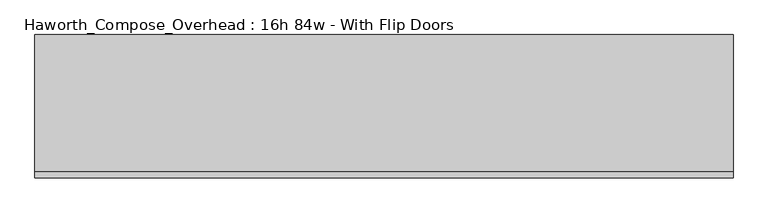
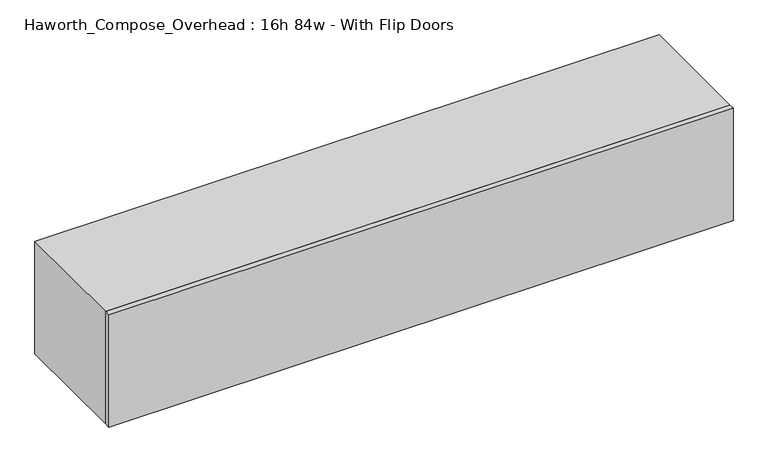
"""IFC4 building model written with IfcOpenShell, lengths in millimetres: furniture geometry, Haworth_Compose_Overhead : 16h 84w - With Flip Doors."""

import ifcopenshell
import ifcopenshell.guid

model = None  # the IFC model being written
_history = None  # IfcOwnerHistory: only IFC2X3 demands one
_inside = {}  # id of a spatial element -> (the spatial element, [elements in it])
_under = {}  # id of a project, library or spatial element -> (it, [spatial elements below it])
_declared = {}  # id of a project -> (the project, [libraries it declares])
_typed = {}  # id of a type object -> (the type object, [elements of that type])
_made_of = {}  # id of a material, layer set ... -> (it, [elements and type objects made of it])


def new_model(schema):
    """Start an empty IFC model of exactly this schema.

    Asked for "IFC4X3", IfcOpenShell would pick the latest addendum, in which some entities
    have other attributes; the version numbers below select the first issue.
    IFC2X3 requires an IfcOwnerHistory on every rooted entity: one is made here for all.
    """
    global model, _history
    if schema == "IFC4X3":
        model = ifcopenshell.file(schema_version=(4, 3, 0, 0))
    else:
        model = ifcopenshell.file(schema=schema)
    _inside.clear()
    _under.clear()
    _declared.clear()
    _typed.clear()
    _made_of.clear()
    _history = None
    if model.schema == "IFC2X3":
        org = make("IfcOrganization", Name="unknown")
        user = make(
            "IfcPersonAndOrganization",
            ThePerson=make("IfcPerson", FamilyName="unknown"),
            TheOrganization=org,
        )
        app = make(
            "IfcApplication",
            ApplicationDeveloper=org,
            Version="unknown",
            ApplicationFullName="unknown",
            ApplicationIdentifier="unknown",
        )
        _history = make(
            "IfcOwnerHistory",
            OwningUser=user,
            OwningApplication=app,
            ChangeAction="ADDED",
            CreationDate=0,
        )
    return model


def make(cls, **values):
    """One entity of the class cls with the attributes given. An attribute that is None is left unset."""
    return model.create_entity(
        cls, **{name: value for name, value in values.items() if value is not None}
    )


def rooted(cls, **values):
    """An entity with a GlobalId (a new one), such as an element, a storey or a relation."""
    return make(cls, GlobalId=ifcopenshell.guid.new(), OwnerHistory=_history, **values)


def si_unit(unit_type, name, prefix=None):
    """IfcSIUnit, for example si_unit("LENGTHUNIT", "METRE", prefix="MILLI")."""
    return make("IfcSIUnit", UnitType=unit_type, Prefix=prefix, Name=name)


def assignment(units):
    """IfcUnitAssignment: the units of a project."""
    return None if units is None else make("IfcUnitAssignment", Units=units)


def point(xyz):
    """IfcCartesianPoint."""
    return None if xyz is None else make("IfcCartesianPoint", Coordinates=xyz)


def direction(xyz):
    """IfcDirection."""
    return None if xyz is None else make("IfcDirection", DirectionRatios=xyz)


def frame(location, z_axis=None, x_axis=None):
    """IfcAxis2Placement3D, a coordinate frame: its origin and axes. An axis left out is left unset."""
    return make(
        "IfcAxis2Placement3D",
        Location=point(location),
        Axis=direction(z_axis),
        RefDirection=direction(x_axis),
    )


def origin():
    """The frame at (0, 0, 0) with its axes left unset."""
    return frame((0.0, 0.0, 0.0))


def place(relative_to, where):
    """IfcLocalPlacement: puts the frame where relative to a parent placement (None: the world)."""
    return make(
        "IfcLocalPlacement", PlacementRelTo=relative_to, RelativePlacement=where
    )


def context(
    kind, dimensions, precision=None, world=None, true_north=None, identifier=None
):
    """IfcGeometricRepresentationContext, for example the 3D "Model" context."""
    return make(
        "IfcGeometricRepresentationContext",
        ContextIdentifier=identifier,
        ContextType=kind,
        CoordinateSpaceDimension=dimensions,
        Precision=precision,
        WorldCoordinateSystem=world,
        TrueNorth=true_north,
    )


def project(units=None, contexts=None):
    """IfcProject with its units and contexts."""
    return rooted(
        "IfcProject",
        Name="project",
        RepresentationContexts=contexts,
        UnitsInContext=assignment(units),
    )


def spatial(cls, under=None, at=None, **own):
    """A site, building, storey or space (cls), placed at a placement, below another one or the project."""
    s = rooted(cls, ObjectPlacement=at, **own)
    if under is not None:
        _under.setdefault(under.id(), (under, []))[1].append(s)
    return s


def polyline(points):
    """IfcPolyline through the points."""
    return make("IfcPolyline", Points=[point(p) for p in points])


def outline(outer, holes=None, kind="AREA"):
    """IfcArbitraryClosedProfileDef: a profile drawn as a closed curve; with holes, ...WithVoids."""
    if holes is None:
        return make("IfcArbitraryClosedProfileDef", ProfileType=kind, OuterCurve=outer)
    return make(
        "IfcArbitraryProfileDefWithVoids",
        ProfileType=kind,
        OuterCurve=outer,
        InnerCurves=holes,
    )


def extrude(swept, where, along, depth):
    """IfcExtrudedAreaSolid: the profile swept, set in the frame where, extruded along a direction by depth."""
    return make(
        "IfcExtrudedAreaSolid",
        SweptArea=swept,
        Position=where,
        ExtrudedDirection=direction(along),
        Depth=depth,
    )


def shape(context_of_items, identifier, shape_type, items):
    """IfcShapeRepresentation: the items that make up one representation, for example the "Body"."""
    return make(
        "IfcShapeRepresentation",
        ContextOfItems=context_of_items,
        RepresentationIdentifier=identifier,
        RepresentationType=shape_type,
        Items=items,
    )


def source(mapping_origin, context_of_items, identifier, shape_type, items):
    """IfcRepresentationMap: a shape defined once, which mapped items show again and again."""
    return make(
        "IfcRepresentationMap",
        MappingOrigin=mapping_origin,
        MappedRepresentation=shape(context_of_items, identifier, shape_type, items),
    )


def transform(
    local_origin,
    x_axis=None,
    y_axis=None,
    z_axis=None,
    scale=None,
    scale2=None,
    scale3=None,
    uniform=True,
):
    """IfcCartesianTransformationOperator3D, or its non-uniform kind. x_axis, y_axis, z_axis: its Axis1, 2, 3."""
    if uniform:
        return make(
            "IfcCartesianTransformationOperator3D",
            Axis1=direction(x_axis),
            Axis2=direction(y_axis),
            LocalOrigin=point(local_origin),
            Scale=scale,
            Axis3=direction(z_axis),
        )
    return make(
        "IfcCartesianTransformationOperator3DnonUniform",
        Axis1=direction(x_axis),
        Axis2=direction(y_axis),
        LocalOrigin=point(local_origin),
        Scale=scale,
        Axis3=direction(z_axis),
        Scale2=scale2,
        Scale3=scale3,
    )


def mapped(mapping_source, mapping_target):
    """IfcMappedItem: shows the shape of a source again, moved by a transform."""
    return make(
        "IfcMappedItem", MappingSource=mapping_source, MappingTarget=mapping_target
    )


def made_of(thing, what):
    """Note that an element or type object is made of a material, layer set ...; save() writes the relation."""
    if what is not None:
        _made_of.setdefault(what.id(), (what, []))[1].append(thing)
    return thing


def element(
    cls,
    number,
    at=None,
    inside=None,
    cuts=None,
    type_object=None,
    material=None,
    context=None,
    identifier="Body",
    shape_type=None,
    held_by="IfcProductDefinitionShape",
    body=None,
    shapes=None,
    **own,
):
    """One element of the class cls, such as IfcWall. Its Tag is "e" and its number.

    at: its placement. inside: the storey or other place that contains it. cuts: it is an
    opening in that element (IfcRelVoidsElement). A single representation is given by context,
    identifier, shape_type and body (its items); several are given by shapes. held_by: the class
    of the entity that holds the representations. save() writes the other relations.
    """
    e = rooted(cls, Tag="e%d" % number, ObjectPlacement=at, **own)
    if body is not None:
        shapes = [shape(context, identifier, shape_type, body)]
    if shapes is not None:
        e.Representation = make(held_by, Representations=shapes)
    if inside is not None:
        _inside.setdefault(inside.id(), (inside, []))[1].append(e)
    if cuts is not None:
        rooted(
            "IfcRelVoidsElement", RelatingBuildingElement=cuts, RelatedOpeningElement=e
        )
    if type_object is not None:
        _typed.setdefault(type_object.id(), (type_object, []))[1].append(e)
    return made_of(e, material)


def aggregate(whole, parts):
    """IfcRelAggregates: a whole, such as a stair, and the parts it consists of."""
    return rooted("IfcRelAggregates", RelatingObject=whole, RelatedObjects=parts)


def save(model, path):
    """Write the relations noted so far, then the file.

    IfcRelAggregates (storeys below a building ...), IfcRelContainedInSpatialStructure (elements
    in a storey), IfcRelDefinesByType, IfcRelAssociatesMaterial and IfcRelDeclares: one each for
    every whole, place, type object, material and project.
    """
    for whole, parts in _under.values():
        aggregate(whole, parts)
    for where, things in _inside.values():
        rooted(
            "IfcRelContainedInSpatialStructure",
            RelatedElements=things,
            RelatingStructure=where,
        )
    for kind, things in _typed.values():
        rooted("IfcRelDefinesByType", RelatedObjects=things, RelatingType=kind)
    for what, things in _made_of.values():
        rooted("IfcRelAssociatesMaterial", RelatedObjects=things, RelatingMaterial=what)
    for by, libraries in _declared.values():
        rooted("IfcRelDeclares", RelatingContext=by, RelatedDefinitions=libraries)
    model.write(path)


def haworth_compose_overhead_16h_84w_with_flip_doors_2d4a5648(model_context):
    return source(origin(), model_context, "Body", "SweptSolid", [
        extrude(outline(polyline([(1231.9, -438.15), (-901.7, -438.15), (-901.7, -419.1), (1231.9, -419.1), (1231.9, -438.15)])), frame((0.0, 0.0, 1270.0), z_axis=(0.0, 0.0, 1.0), x_axis=(1.0, 0.0, 0.0)), (0.0, 0.0, 1.0), 406.4),
        extrude(outline(polyline([(1206.5, -6.35), (-876.3, -6.35), (-876.3, 0.0), (1206.5, 0.0), (1206.5, -6.35)])), frame((0.0, 0.0, 1295.4), z_axis=(0.0, 0.0, 1.0), x_axis=(1.0, 0.0, 0.0)), (0.0, 0.0, 1.0), 355.6),
        extrude(outline(polyline([(1270.0, 1231.9), (1676.4, 1231.9), (1676.4, -901.7), (1270.0, -901.7), (1270.0, 1231.9)]), holes=[polyline([(1651.0, 1206.5), (1295.4, 1206.5), (1295.4, -876.3), (1651.0, -876.3), (1651.0, 1206.5)])]), frame((0.0, -419.1, 0.0), z_axis=(0.0, 1.0, 0.0), x_axis=(0.0, 0.0, 1.0)), (0.0, 0.0, 1.0), 419.1),
    ])


if __name__ == "__main__":
    model = new_model("IFC4")
    model_context = context("Model", 3, world=origin())
    ifc_project = project(units=[si_unit("LENGTHUNIT", "METRE", prefix="MILLI")], contexts=[model_context])
    site = spatial("IfcSite", under=ifc_project)
    building = spatial("IfcBuilding", under=site)
    placement = place(None, origin())
    haworth_compose_overhead_16h_84w_with_flip_doors_shape = haworth_compose_overhead_16h_84w_with_flip_doors_2d4a5648(model_context)
    element("IfcFurniture", 1, ObjectType="Haworth_Compose_Overhead : 16h 84w - With Flip Doors", at=placement, inside=building, context=model_context, shape_type="MappedRepresentation", body=[
        mapped(haworth_compose_overhead_16h_84w_with_flip_doors_shape, transform((0.0, 0.0, 0.0), x_axis=(1.0, 0.0, 0.0), y_axis=(0.0, 1.0, 0.0), z_axis=(0.0, 0.0, 1.0))),
    ])
    save(model, "model.ifc")
